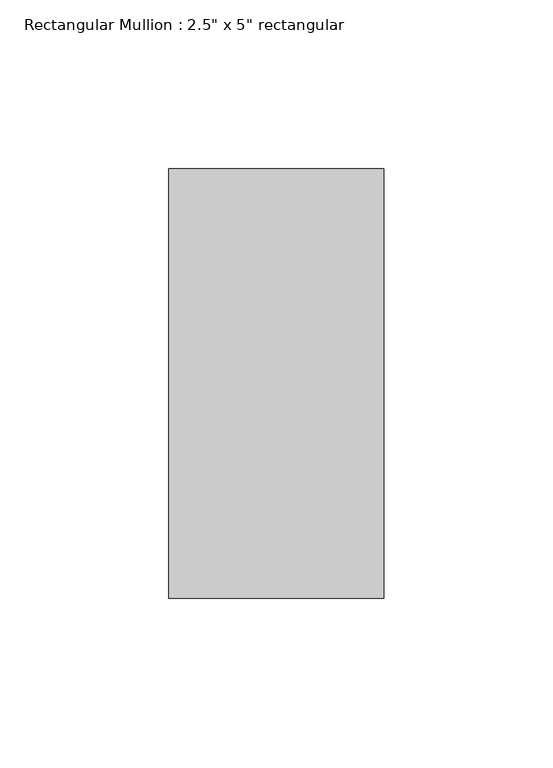
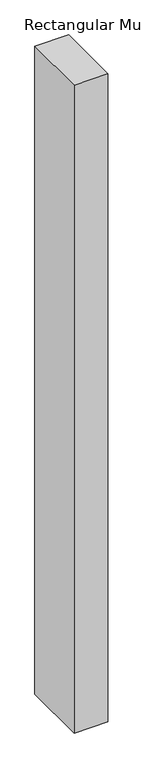
"""IFC4 building model written with IfcOpenShell, lengths in millimetres: member geometry."""

from ifc_helpers import new_model, si_unit, frame, origin, place, context, project, spatial, polyline, outline, extrude, source, transform, mapped, element, save


def member_7357b34e(model_context):
    return source(origin(), model_context, "Body", "SweptSolid", [
        extrude(outline(polyline([(0.0, 63.5), (0.0, -63.5), (-63.5, -63.5), (-63.5, 63.5), (0.0, 63.5)])), frame((0.0, 0.0, -1283.0537537), z_axis=(0.0, 0.0, 1.0), x_axis=(1.0, 0.0, 0.0)), (0.0, 0.0, 1.0), 1283.0537537),
    ])


if __name__ == "__main__":
    model = new_model("IFC4")
    model_context = context("Model", 3, world=origin())
    ifc_project = project(units=[si_unit("LENGTHUNIT", "METRE", prefix="MILLI")], contexts=[model_context])
    site = spatial("IfcSite", under=ifc_project)
    building = spatial("IfcBuilding", under=site)
    placement = place(None, origin())
    member_shape = member_7357b34e(model_context)
    element("IfcMember", 1, ObjectType="Rectangular Mullion : 2.5\" x 5\" rectangular", at=placement, inside=building, context=model_context, shape_type="MappedRepresentation", body=[
        mapped(member_shape, transform((0.0, 0.0, 0.0), x_axis=(1.0, 0.0, 0.0), y_axis=(0.0, 1.0, 0.0), z_axis=(0.0, 0.0, 1.0))),
    ])
    save(model, "model.ifc")
